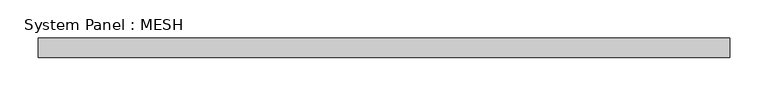
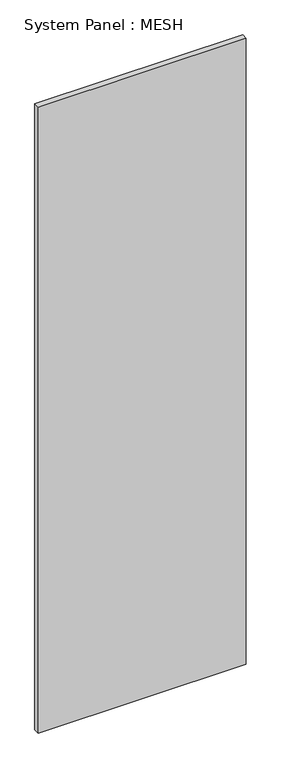
"""IFC4 building model written with IfcOpenShell, lengths in millimetres: plate geometry, System Panel : MESH."""

from ifc_helpers import new_model, si_unit, origin, origin_with_axes, place, context, project, spatial, polyline, outline, extrude, source, transform, mapped, element, save


def system_panel_mesh_205e7753(model_context):
    return source(origin(), model_context, "Body", "SweptSolid", [
        extrude(outline(polyline([(449.9911352, -12.5), (-449.9911352, -12.5), (-449.9911352, 12.5), (449.9911352, 12.5), (449.9911352, -12.5)])), origin_with_axes(), (0.0, 0.0, 1.0), 2860.0),
    ])


if __name__ == "__main__":
    model = new_model("IFC4")
    model_context = context("Model", 3, world=origin())
    ifc_project = project(units=[si_unit("LENGTHUNIT", "METRE", prefix="MILLI")], contexts=[model_context])
    site = spatial("IfcSite", under=ifc_project)
    building = spatial("IfcBuilding", under=site)
    placement = place(None, origin())
    system_panel_mesh_shape = system_panel_mesh_205e7753(model_context)
    element("IfcPlate", 1, ObjectType="System Panel : MESH", at=placement, inside=building, context=model_context, shape_type="MappedRepresentation", body=[
        mapped(system_panel_mesh_shape, transform((0.0, 0.0, 0.0), x_axis=(1.0, 0.0, 0.0), y_axis=(0.0, 1.0, 0.0), z_axis=(0.0, 0.0, 1.0))),
    ])
    save(model, "model.ifc")
